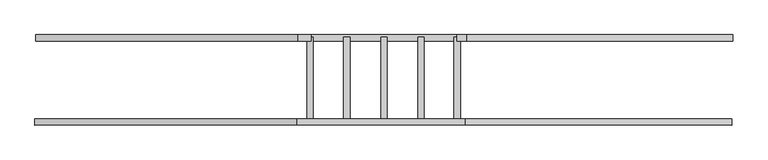
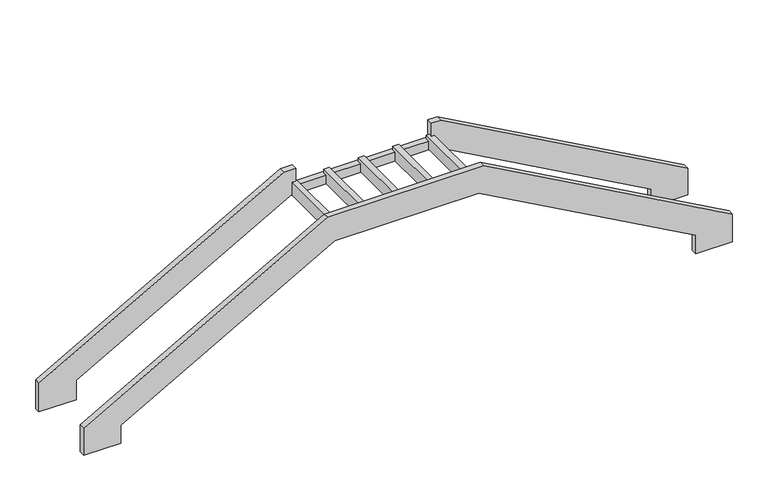
"""IFC4 building model written with IfcOpenShell, lengths in millimetres: stair geometry."""

from ifc_helpers import new_model, si_unit, origin, place, context, project, spatial, faceted_brep, source, transform, mapped, element, save


def stair_7a131ab1(model_context):
    return source(origin(), model_context, "Body", "Brep", [
        faceted_brep([(-60086.792632, 100256.9166903, -2149.9020301), (-56528.6697616, 100256.9166903, -151.1765302), (-54129.4028383, 100256.9166903, -151.1765302), (-50512.4606095, 100256.9166903, -2162.107626), (-50512.4606095, 100256.9166903, -2483.2639797), (-49902.7953594, 100256.9166903, -2483.2639797), (-49902.7953594, 100256.9166903, -2004.1489021), (-54044.9080568, 100256.9166903, 298.7640832), (-56640.3165114, 100256.9166903, 298.7640832), (-60706.4133206, 100256.9166903, -1985.3086354), (-60706.4133206, 100256.9166903, -2464.9395685), (-60086.792632, 100256.9166903, -2464.9395685), (-60086.792632, 100357.1127866, -2149.9020301), (-60086.792632, 100357.1127866, -2464.9395685), (-60706.4133206, 100357.1127866, -2464.9395685), (-60706.4133206, 100357.1127866, -1985.3086354), (-56640.3165114, 100357.1127866, 298.7640832), (-54044.9080568, 100357.1127866, 298.7640832), (-49902.7953594, 100357.1127866, -2004.1489021), (-49902.7953594, 100357.1127866, -2483.2639797), (-50512.4606095, 100357.1127866, -2483.2639797), (-50512.4606095, 100357.1127866, -2162.107626), (-54129.4028383, 100357.1127866, -151.1765302), (-56528.6697616, 100357.1127866, -151.1765302), (-56488.2638137, 100357.1127866, -143.9867204), (-56393.2908705, 100357.1127866, -143.9867204), (-56393.2908705, 100357.1127866, 70.875), (-56488.2638137, 100357.1127866, 70.875), (-55920.063343, 100357.1127866, -143.9867204), (-55825.0903998, 100357.1127866, -143.9867204), (-55825.0903998, 100357.1127866, 70.875), (-55920.063343, 100357.1127866, 70.875), (-55343.2850605, 100357.1127866, -143.9867204), (-55248.3121174, 100357.1127866, -143.9867204), (-55248.3121174, 100357.1127866, 70.875), (-55343.2850605, 100357.1127866, 70.875), (-54770.2289881, 100357.1127866, -143.9867204), (-54675.2560449, 100357.1127866, -143.9867204), (-54675.2560449, 100357.1127866, 70.875), (-54770.2289881, 100357.1127866, 70.875), (-54209.9937018, 100357.1127866, -143.9867204), (-54112.5207586, 100357.1127866, -143.9867204), (-54112.5207586, 100357.1127866, 70.875), (-54209.9937018, 100357.1127866, 70.875), (-60076.792632, 101559.6583737, -2153.4503186), (-56512.3531131, 101559.6583737, -151.1765302), (-54085.4096355, 101559.6583737, -151.1765302), (-50502.4606095, 101559.6583737, -2143.2082397), (-50502.4606095, 101559.6583737, -2453.5005751), (-49892.7953594, 101559.6583737, -2453.5005751), (-49892.7953594, 101559.6583737, -1990.2495158), (-54009.9080568, 101559.6583737, 298.7640832), (-54162.9244634, 101559.6583737, 298.7640832), (-54162.9244634, 101559.6583737, 70.875), (-54112.5207586, 101559.6583737, 70.875), (-54112.5207586, 101559.6583737, -143.9867204), (-54209.9937018, 101559.6583737, -143.9867204), (-54209.9937018, 101559.6583737, 0.8640832), (-54675.2560449, 101559.6583737, 0.8640832), (-54675.2560449, 101559.6583737, -143.9867204), (-54770.2289881, 101559.6583737, -143.9867204), (-54770.2289881, 101559.6583737, 0.8640832), (-55248.3121174, 101559.6583737, 0.8640832), (-55248.3121174, 101559.6583737, -143.9867204), (-55343.2850605, 101559.6583737, -143.9867204), (-55343.2850605, 101559.6583737, 0.8640832), (-55825.0903998, 101559.6583737, 0.8640832), (-55825.0903998, 101559.6583737, -143.9867204), (-55920.063343, 101559.6583737, -143.9867204), (-55920.063343, 101559.6583737, 0.8640832), (-56393.2908705, 101559.6583737, 0.8640832), (-56393.2908705, 101559.6583737, -143.9867204), (-56488.2638137, 101559.6583737, -143.9867204), (-56488.2638137, 101559.6583737, 70.875), (-56424.1663483, 101559.6583737, 70.875), (-56424.1663483, 101559.6583737, 298.7640832), (-56623.9998629, 101559.6583737, 298.7640832), (-60696.4133206, 101559.6583737, -1988.856924), (-60696.4133206, 101559.6583737, -2494.9395685), (-60076.792632, 101559.6583737, -2494.9395685), (-60076.792632, 101659.85447, -2153.4503186), (-60076.792632, 101659.85447, -2494.9395685), (-60696.4133206, 101659.85447, -2494.9395685), (-60696.4133206, 101659.85447, -1988.856924), (-56623.9998629, 101659.85447, 298.7640832), (-56424.1663483, 101659.85447, 298.7640832), (-56424.1663483, 101659.85447, 0.8640832), (-54162.9244634, 101659.85447, 0.8640832), (-54162.9244634, 101659.85447, 298.7640832), (-54009.9080568, 101659.85447, 298.7640832), (-49892.7953594, 101659.85447, -1990.2495158), (-49892.7953594, 101659.85447, -2453.5005751), (-50502.4606095, 101659.85447, -2453.5005751), (-50502.4606095, 101659.85447, -2143.2082397), (-54085.4096355, 101659.85447, -151.1765302), (-56512.3531131, 101659.85447, -151.1765302), (-54162.9244634, 101620.3109247, 0.8640832), (-54162.9244634, 101620.3109247, 70.875), (-56424.1663483, 101620.3109247, 0.8640832), (-56393.2908705, 101620.3109247, 0.8640832), (-55920.063343, 101620.3109247, 0.8640832), (-55825.0903998, 101620.3109247, 0.8640832), (-55343.2850605, 101620.3109247, 0.8640832), (-55248.3121174, 101620.3109247, 0.8640832), (-54770.2289881, 101620.3109247, 0.8640832), (-54675.2560449, 101620.3109247, 0.8640832), (-54209.9937018, 101620.3109247, 0.8640832), (-56424.1663483, 101620.3109247, 70.875), (-55920.063343, 101620.3109247, 70.875), (-55825.0903998, 101620.3109247, 70.875), (-55343.2850605, 101620.3109247, 70.875), (-55248.3121174, 101620.3109247, 70.875), (-54770.2289881, 101620.3109247, 70.875), (-54675.2560449, 101620.3109247, 70.875), (-56393.2908705, 101620.3109247, 70.875), (-54209.9937018, 101620.3109247, 70.875)], [[[0, 1, 2, 3, 4, 5, 6, 7, 8, 9, 10, 11]], [[12, 13, 14, 15, 16, 17, 18, 19, 20, 21, 22, 23], [24, 25, 26, 27], [28, 29, 30, 31], [32, 33, 34, 35], [36, 37, 38, 39], [40, 41, 42, 43]], [[1, 0, 12, 23]], [[2, 1, 23, 22]], [[3, 2, 22, 21]], [[4, 3, 21, 20]], [[5, 4, 20, 19]], [[6, 5, 19, 18]], [[7, 6, 18, 17]], [[8, 7, 17, 16]], [[9, 8, 16, 15]], [[10, 9, 15, 14]], [[11, 10, 14, 13]], [[0, 11, 13, 12]], [[44, 45, 46, 47, 48, 49, 50, 51, 52, 53, 54, 55, 56, 57, 58, 59, 60, 61, 62, 63, 64, 65, 66, 67, 68, 69, 70, 71, 72, 73, 74, 75, 76, 77, 78, 79]], [[80, 81, 82, 83, 84, 85, 86, 87, 88, 89, 90, 91, 92, 93, 94, 95]], [[45, 44, 80, 95]], [[46, 45, 95, 94]], [[47, 46, 94, 93]], [[48, 47, 93, 92]], [[49, 48, 92, 91]], [[50, 49, 91, 90]], [[51, 50, 90, 89]], [[52, 51, 89, 88]], [[77, 76, 84, 83]], [[78, 77, 83, 82]], [[79, 78, 82, 81]], [[44, 79, 81, 80]], [[88, 87, 96, 97, 53, 52]], [[87, 86, 98, 99, 70, 69, 100, 101, 66, 65, 102, 103, 62, 61, 104, 105, 58, 57, 106, 96]], [[86, 85, 75, 74, 107, 98]], [[76, 75, 85, 84]], [[108, 109, 101, 100]], [[110, 111, 103, 102]], [[112, 113, 105, 104]], [[107, 114, 99, 98]], [[106, 115, 97, 96]], [[25, 24, 72, 71]], [[114, 26, 25, 71, 70, 99]], [[26, 114, 107, 74, 73, 27]], [[24, 27, 73, 72]], [[29, 28, 68, 67]], [[109, 30, 29, 67, 66, 101]], [[109, 108, 31, 30]], [[31, 108, 100, 69, 68, 28]], [[33, 32, 64, 63]], [[111, 34, 33, 63, 62, 103]], [[111, 110, 35, 34]], [[35, 110, 102, 65, 64, 32]], [[37, 36, 60, 59]], [[113, 38, 37, 59, 58, 105]], [[113, 112, 39, 38]], [[39, 112, 104, 61, 60, 36]], [[41, 40, 56, 55]], [[42, 41, 55, 54]], [[115, 43, 42, 54, 53, 97]], [[43, 115, 106, 57, 56, 40]]]),
    ])


if __name__ == "__main__":
    model = new_model("IFC4")
    model_context = context("Model", 3, world=origin())
    ifc_project = project(units=[si_unit("LENGTHUNIT", "METRE", prefix="MILLI")], contexts=[model_context])
    site = spatial("IfcSite", under=ifc_project)
    building = spatial("IfcBuilding", under=site)
    placement = place(None, origin())
    stair_shape = stair_7a131ab1(model_context)
    element("IfcStair", 1, at=placement, inside=building, context=model_context, shape_type="MappedRepresentation", body=[
        mapped(stair_shape, transform((0.0, 0.0, 0.0), x_axis=(1.0, 0.0, 0.0), y_axis=(0.0, 1.0, 0.0), z_axis=(0.0, 0.0, 1.0))),
    ])
    save(model, "model.ifc")
